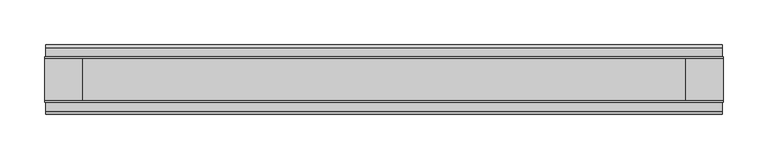
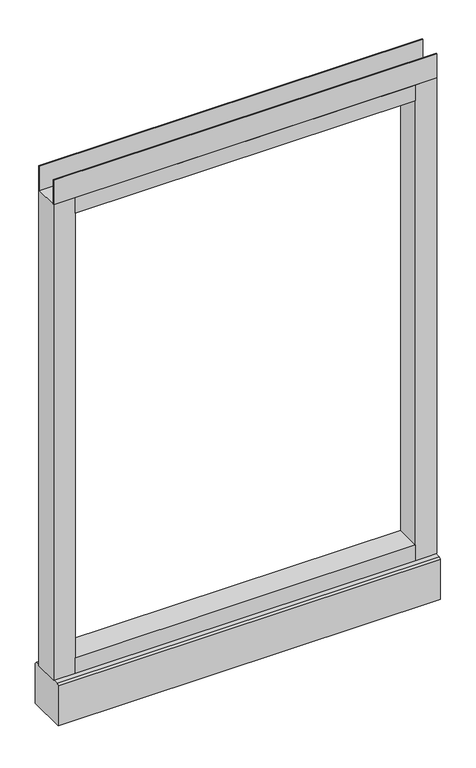
"""IFC4 building model written with IfcOpenShell, lengths in millimetres: furniture geometry."""

from ifc_helpers import new_model, si_unit, point, frame, frame_2d, origin, place, context, project, spatial, polyline, circle_curve, trimmed, segment, composite_curve, outline, extrude, source, transform, mapped, element, save
from ifc_brep_helpers import plane_surface, revolved_surface, advanced_brep


def furniture_b0d7ef59(model_context):
    return source(origin(), model_context, "Body", "SolidModel", [
        advanced_brep(
        [(311.15, 0.0, 6.35), (336.55, 0.0, 6.35), (304.8, 0.0, 0.0), (342.9, 0.0, 0.0)],
        [
            (0, 1, circle_curve(frame((323.85, 0.0, 6.35), z_axis=(0.0, 0.0, 1.0), x_axis=(-1.0, 0.0, 0.0)), 12.7)),
            (1, 0, circle_curve(frame((323.85, 0.0, 6.35), z_axis=(0.0, 0.0, 1.0), x_axis=(1.0, 0.0, 0.0)), 12.7)),
            (2, 3, circle_curve(frame((323.85, 0.0, 0.0), z_axis=(0.0, 0.0, -1.0), x_axis=(1.0, 0.0, 0.0)), 19.05)),
            (3, 2, circle_curve(frame((323.85, 0.0, 0.0), z_axis=(0.0, 0.0, -1.0), x_axis=(-1.0, 0.0, 0.0)), 19.05)),
            (3, 1),
            (0, 2),
        ],
        [
            plane_surface(frame((323.85, 0.0, 6.35), z_axis=(0.0, 0.0, 1.0), x_axis=(0.0, -1.0, 0.0))),
            plane_surface(frame((323.85, 0.0, 0.0), z_axis=(0.0, 0.0, -1.0), x_axis=(0.0, -1.0, 0.0))),
            revolved_surface(polyline([(311.15000000000003, 0.0, 6.35), (304.8, 0.0, 0.0)]), (323.85, 0.0, 19.05), (0.0, 0.0, -1.0)),
            revolved_surface(polyline([(336.55, 0.0, 6.35), (342.9, 0.0, 0.0)]), (323.85, 0.0, 19.05), (0.0, 0.0, -1.0)),
        ],
        [
            (0, [[1, 2]]),
            (1, [[3, 4]]),
            (2, [[-4, 5, -1, 6]]),
            (3, [[-3, -6, -2, -5]]),
        ],
    ),
        advanced_brep(
        [(-336.55, 0.0, 6.35), (-311.15, 0.0, 6.35), (-342.9, 0.0, 0.0), (-304.8, 0.0, 0.0)],
        [
            (0, 1, circle_curve(frame((-323.85, 0.0, 6.35), z_axis=(0.0, 0.0, 1.0), x_axis=(-1.0, 0.0, 0.0)), 12.7)),
            (1, 0, circle_curve(frame((-323.85, 0.0, 6.35), z_axis=(0.0, 0.0, 1.0), x_axis=(1.0, 0.0, 0.0)), 12.7)),
            (2, 3, circle_curve(frame((-323.85, 0.0, 0.0), z_axis=(0.0, 0.0, -1.0), x_axis=(1.0, 0.0, 0.0)), 19.05)),
            (3, 2, circle_curve(frame((-323.85, 0.0, 0.0), z_axis=(0.0, 0.0, -1.0), x_axis=(-1.0, 0.0, 0.0)), 19.05)),
            (3, 1),
            (0, 2),
        ],
        [
            plane_surface(frame((-323.85, 0.0, 6.35), z_axis=(0.0, 0.0, 1.0), x_axis=(0.0, -1.0, 0.0))),
            plane_surface(frame((-323.85, 0.0, 0.0), z_axis=(0.0, 0.0, -1.0), x_axis=(0.0, -1.0, 0.0))),
            revolved_surface(polyline([(-336.55, 0.0, 6.35), (-342.9, 0.0, 0.0)]), (-323.85, 0.0, 19.05), (0.0, 0.0, -1.0)),
            revolved_surface(polyline([(-311.15000000000003, 0.0, 6.35), (-304.8, 0.0, 0.0)]), (-323.85, 0.0, 19.05), (0.0, 0.0, -1.0)),
        ],
        [
            (0, [[1, 2]]),
            (1, [[3, 4]]),
            (2, [[-4, 5, -1, 6]]),
            (3, [[-3, -6, -2, -5]]),
        ],
    ),
        extrude(outline(polyline([(381.0, -23.8125), (381.0, -25.4), (-381.0, -25.4), (-381.0, -23.8125), (381.0, -23.8125)])), frame((0.0, 0.0, 1102.233), z_axis=(0.0, 0.0, 1.0), x_axis=(1.0, 0.0, 0.0)), (0.0, 0.0, 1.0), 51.435),
        extrude(outline(polyline([(381.0, 25.4), (381.0, 23.8125), (-381.0, 23.8125), (-381.0, 25.4), (381.0, 25.4)])), frame((0.0, 0.0, 1102.233), z_axis=(0.0, 0.0, 1.0), x_axis=(1.0, 0.0, 0.0)), (0.0, 0.0, 1.0), 51.435),
        extrude(outline(polyline([(338.1375, -25.4), (-338.1375, -25.4), (-338.1375, 25.4), (338.1375, 25.4), (338.1375, -25.4)])), frame((0.0, 0.0, 1069.34), z_axis=(0.0, 0.0, 1.0), x_axis=(1.0, 0.0, 0.0)), (0.0, 0.0, 1.0), 32.893),
        extrude(outline(polyline([(338.1375, -25.4), (-338.1375, -25.4), (-338.1375, 25.4), (338.1375, 25.4), (338.1375, -25.4)])), frame((0.0, 0.0, 101.6), z_axis=(0.0, 0.0, 1.0), x_axis=(1.0, 0.0, 0.0)), (0.0, 0.0, 1.0), 32.893),
        extrude(outline(composite_curve([segment(trimmed(circle_curve(frame_2d((-323.85, 0.0)), 5.55625), [point((-329.40625, 0.0))], [point((-318.29375, 0.0))], False, "CARTESIAN"), True, "CONTINUOUS"), segment(trimmed(circle_curve(frame_2d((-323.85, 0.0)), 5.55625), [point((-318.29375, 0.0))], [point((-329.40625, 0.0))], False, "CARTESIAN"), True, "CONTINUOUS")], self_intersect=False)), frame((0.0, 0.0, 6.35), z_axis=(0.0, 0.0, 1.0), x_axis=(1.0, 0.0, 0.0)), (0.0, 0.0, 1.0), 7.9375),
        extrude(outline(composite_curve([segment(trimmed(circle_curve(frame_2d((323.85, 0.0)), 5.55625), [point((318.29375, 0.0))], [point((329.40625, 0.0))], False, "CARTESIAN"), True, "CONTINUOUS"), segment(trimmed(circle_curve(frame_2d((323.85, 0.0)), 5.55625), [point((329.40625, 0.0))], [point((318.29375, 0.0))], False, "CARTESIAN"), True, "CONTINUOUS")], self_intersect=False)), frame((0.0, 0.0, 6.35), z_axis=(0.0, 0.0, 1.0), x_axis=(1.0, 0.0, 0.0)), (0.0, 0.0, 1.0), 7.9375),
        extrude(outline(polyline([(-338.1375, -25.4), (-381.0, -25.4), (-381.0, 25.4), (-338.1375, 25.4), (-338.1375, -25.4)])), frame((0.0, 0.0, 101.6), z_axis=(0.0, 0.0, 1.0), x_axis=(1.0, 0.0, 0.0)), (0.0, 0.0, 1.0), 1000.633),
        extrude(outline(polyline([(381.0, -25.4), (338.1375, -25.4), (338.1375, 25.4), (381.0, 25.4), (381.0, -25.4)])), frame((0.0, 0.0, 101.6), z_axis=(0.0, 0.0, 1.0), x_axis=(1.0, 0.0, 0.0)), (0.0, 0.0, 1.0), 1000.633),
        extrude(outline(polyline([(-35.9171875, 101.6), (35.9171875, 101.6), (39.0921875, 98.425), (39.0921875, 14.2875), (-39.0921875, 14.2875), (-39.0921875, 98.425), (-35.9171875, 101.6)])), frame((-379.857, 0.0, 0.0), z_axis=(1.0, 0.0, 0.0), x_axis=(0.0, 1.0, 0.0)), (0.0, 0.0, 1.0), 759.7140102),
    ])


if __name__ == "__main__":
    model = new_model("IFC4")
    model_context = context("Model", 3, world=origin())
    ifc_project = project(units=[si_unit("LENGTHUNIT", "METRE", prefix="MILLI")], contexts=[model_context])
    site = spatial("IfcSite", under=ifc_project)
    building = spatial("IfcBuilding", under=site)
    placement = place(None, origin())
    furniture_shape = furniture_b0d7ef59(model_context)
    element("IfcFurniture", 1, at=placement, inside=building, context=model_context, shape_type="MappedRepresentation", body=[
        mapped(furniture_shape, transform((0.0, 0.0, 0.0), x_axis=(1.0, 0.0, 0.0), y_axis=(0.0, 1.0, 0.0), z_axis=(0.0, 0.0, 1.0))),
    ])
    save(model, "model.ifc")
